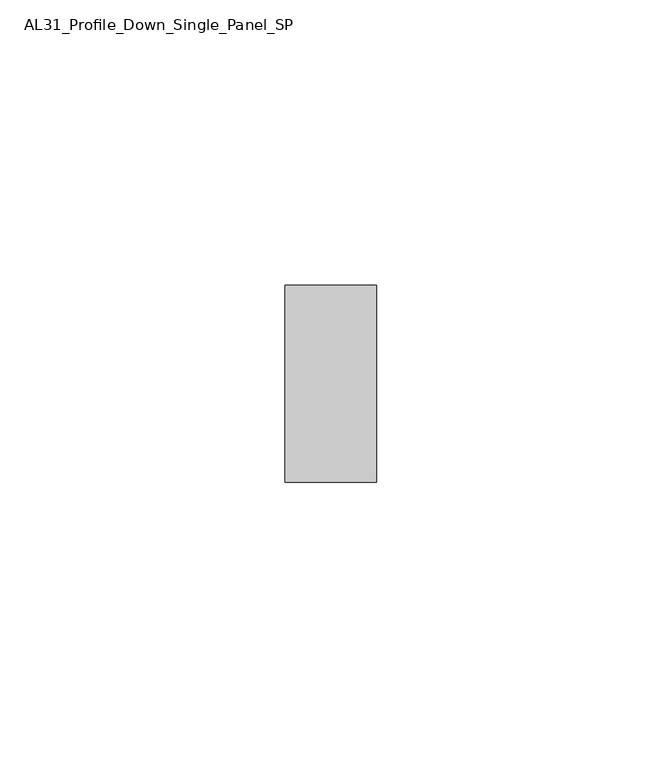
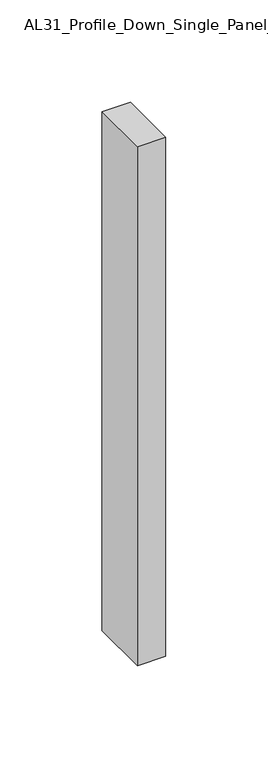
"""IFC4 building model written with IfcOpenShell, lengths in millimetres: member geometry, AL31_Profile_Down_Single_Panel_SP."""

from ifc_helpers import new_model, si_unit, frame, origin, place, context, project, spatial, polyline, outline, extrude, source, transform, mapped, element, save


def al31_profile_down_single_panel_sp_c7eb1526(model_context):
    return source(origin(), model_context, "Body", "SweptSolid", [
        extrude(outline(polyline([(0.0, -17.25), (-16.0, -17.25), (-16.0, 17.25), (0.0, 17.25), (0.0, -17.25)])), frame((0.0, 0.0, -309.9001021), z_axis=(0.0, 0.0, 1.0), x_axis=(1.0, 0.0, 0.0)), (0.0, 0.0, 1.0), 309.9001021),
    ])


if __name__ == "__main__":
    model = new_model("IFC4")
    model_context = context("Model", 3, world=origin())
    ifc_project = project(units=[si_unit("LENGTHUNIT", "METRE", prefix="MILLI")], contexts=[model_context])
    site = spatial("IfcSite", under=ifc_project)
    building = spatial("IfcBuilding", under=site)
    placement = place(None, origin())
    al31_profile_down_single_panel_sp_shape = al31_profile_down_single_panel_sp_c7eb1526(model_context)
    element("IfcMember", 1, ObjectType="AL31_Profile_Down_Single_Panel_SP", at=placement, inside=building, context=model_context, shape_type="MappedRepresentation", body=[
        mapped(al31_profile_down_single_panel_sp_shape, transform((0.0, 0.0, 0.0), x_axis=(1.0, 0.0, 0.0), y_axis=(0.0, 1.0, 0.0), z_axis=(0.0, 0.0, 1.0))),
    ])
    save(model, "model.ifc")
